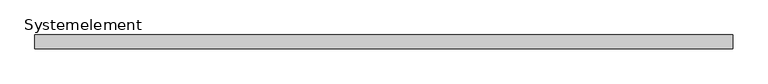
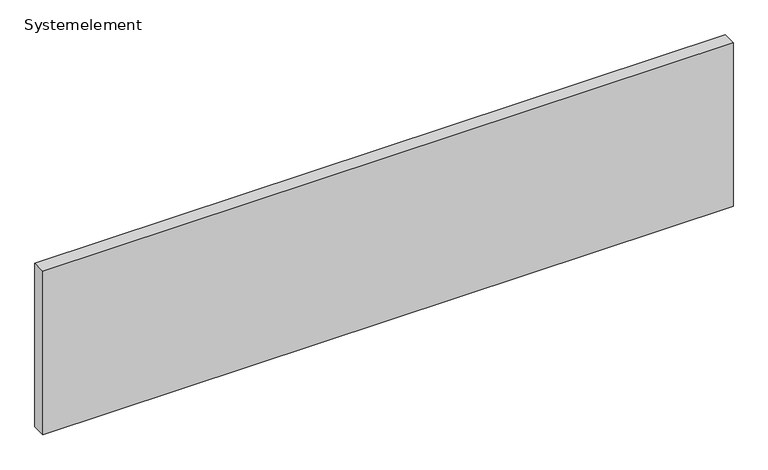
"""IFC4 building model written with IfcOpenShell, lengths in millimetres: plate geometry, Systemelement."""

import ifcopenshell
import ifcopenshell.guid

model = None  # the IFC model being written
_history = None  # IfcOwnerHistory: only IFC2X3 demands one
_inside = {}  # id of a spatial element -> (the spatial element, [elements in it])
_under = {}  # id of a project, library or spatial element -> (it, [spatial elements below it])
_declared = {}  # id of a project -> (the project, [libraries it declares])
_typed = {}  # id of a type object -> (the type object, [elements of that type])
_made_of = {}  # id of a material, layer set ... -> (it, [elements and type objects made of it])


def new_model(schema):
    """Start an empty IFC model of exactly this schema.

    Asked for "IFC4X3", IfcOpenShell would pick the latest addendum, in which some entities
    have other attributes; the version numbers below select the first issue.
    IFC2X3 requires an IfcOwnerHistory on every rooted entity: one is made here for all.
    """
    global model, _history
    if schema == "IFC4X3":
        model = ifcopenshell.file(schema_version=(4, 3, 0, 0))
    else:
        model = ifcopenshell.file(schema=schema)
    _inside.clear()
    _under.clear()
    _declared.clear()
    _typed.clear()
    _made_of.clear()
    _history = None
    if model.schema == "IFC2X3":
        org = make("IfcOrganization", Name="unknown")
        user = make(
            "IfcPersonAndOrganization",
            ThePerson=make("IfcPerson", FamilyName="unknown"),
            TheOrganization=org,
        )
        app = make(
            "IfcApplication",
            ApplicationDeveloper=org,
            Version="unknown",
            ApplicationFullName="unknown",
            ApplicationIdentifier="unknown",
        )
        _history = make(
            "IfcOwnerHistory",
            OwningUser=user,
            OwningApplication=app,
            ChangeAction="ADDED",
            CreationDate=0,
        )
    return model


def make(cls, **values):
    """One entity of the class cls with the attributes given. An attribute that is None is left unset."""
    return model.create_entity(
        cls, **{name: value for name, value in values.items() if value is not None}
    )


def rooted(cls, **values):
    """An entity with a GlobalId (a new one), such as an element, a storey or a relation."""
    return make(cls, GlobalId=ifcopenshell.guid.new(), OwnerHistory=_history, **values)


def si_unit(unit_type, name, prefix=None):
    """IfcSIUnit, for example si_unit("LENGTHUNIT", "METRE", prefix="MILLI")."""
    return make("IfcSIUnit", UnitType=unit_type, Prefix=prefix, Name=name)


def assignment(units):
    """IfcUnitAssignment: the units of a project."""
    return None if units is None else make("IfcUnitAssignment", Units=units)


def point(xyz):
    """IfcCartesianPoint."""
    return None if xyz is None else make("IfcCartesianPoint", Coordinates=xyz)


def direction(xyz):
    """IfcDirection."""
    return None if xyz is None else make("IfcDirection", DirectionRatios=xyz)


def frame(location, z_axis=None, x_axis=None):
    """IfcAxis2Placement3D, a coordinate frame: its origin and axes. An axis left out is left unset."""
    return make(
        "IfcAxis2Placement3D",
        Location=point(location),
        Axis=direction(z_axis),
        RefDirection=direction(x_axis),
    )


def origin():
    """The frame at (0, 0, 0) with its axes left unset."""
    return frame((0.0, 0.0, 0.0))


def origin_with_axes():
    """The frame at (0, 0, 0) with the z axis (0, 0, 1) and the x axis (1, 0, 0) written out."""
    return frame((0.0, 0.0, 0.0), z_axis=(0.0, 0.0, 1.0), x_axis=(1.0, 0.0, 0.0))


def place(relative_to, where):
    """IfcLocalPlacement: puts the frame where relative to a parent placement (None: the world)."""
    return make(
        "IfcLocalPlacement", PlacementRelTo=relative_to, RelativePlacement=where
    )


def context(
    kind, dimensions, precision=None, world=None, true_north=None, identifier=None
):
    """IfcGeometricRepresentationContext, for example the 3D "Model" context."""
    return make(
        "IfcGeometricRepresentationContext",
        ContextIdentifier=identifier,
        ContextType=kind,
        CoordinateSpaceDimension=dimensions,
        Precision=precision,
        WorldCoordinateSystem=world,
        TrueNorth=true_north,
    )


def project(units=None, contexts=None):
    """IfcProject with its units and contexts."""
    return rooted(
        "IfcProject",
        Name="project",
        RepresentationContexts=contexts,
        UnitsInContext=assignment(units),
    )


def spatial(cls, under=None, at=None, **own):
    """A site, building, storey or space (cls), placed at a placement, below another one or the project."""
    s = rooted(cls, ObjectPlacement=at, **own)
    if under is not None:
        _under.setdefault(under.id(), (under, []))[1].append(s)
    return s


def polyline(points):
    """IfcPolyline through the points."""
    return make("IfcPolyline", Points=[point(p) for p in points])


def outline(outer, holes=None, kind="AREA"):
    """IfcArbitraryClosedProfileDef: a profile drawn as a closed curve; with holes, ...WithVoids."""
    if holes is None:
        return make("IfcArbitraryClosedProfileDef", ProfileType=kind, OuterCurve=outer)
    return make(
        "IfcArbitraryProfileDefWithVoids",
        ProfileType=kind,
        OuterCurve=outer,
        InnerCurves=holes,
    )


def extrude(swept, where, along, depth):
    """IfcExtrudedAreaSolid: the profile swept, set in the frame where, extruded along a direction by depth."""
    return make(
        "IfcExtrudedAreaSolid",
        SweptArea=swept,
        Position=where,
        ExtrudedDirection=direction(along),
        Depth=depth,
    )


def shape(context_of_items, identifier, shape_type, items):
    """IfcShapeRepresentation: the items that make up one representation, for example the "Body"."""
    return make(
        "IfcShapeRepresentation",
        ContextOfItems=context_of_items,
        RepresentationIdentifier=identifier,
        RepresentationType=shape_type,
        Items=items,
    )


def source(mapping_origin, context_of_items, identifier, shape_type, items):
    """IfcRepresentationMap: a shape defined once, which mapped items show again and again."""
    return make(
        "IfcRepresentationMap",
        MappingOrigin=mapping_origin,
        MappedRepresentation=shape(context_of_items, identifier, shape_type, items),
    )


def transform(
    local_origin,
    x_axis=None,
    y_axis=None,
    z_axis=None,
    scale=None,
    scale2=None,
    scale3=None,
    uniform=True,
):
    """IfcCartesianTransformationOperator3D, or its non-uniform kind. x_axis, y_axis, z_axis: its Axis1, 2, 3."""
    if uniform:
        return make(
            "IfcCartesianTransformationOperator3D",
            Axis1=direction(x_axis),
            Axis2=direction(y_axis),
            LocalOrigin=point(local_origin),
            Scale=scale,
            Axis3=direction(z_axis),
        )
    return make(
        "IfcCartesianTransformationOperator3DnonUniform",
        Axis1=direction(x_axis),
        Axis2=direction(y_axis),
        LocalOrigin=point(local_origin),
        Scale=scale,
        Axis3=direction(z_axis),
        Scale2=scale2,
        Scale3=scale3,
    )


def mapped(mapping_source, mapping_target):
    """IfcMappedItem: shows the shape of a source again, moved by a transform."""
    return make(
        "IfcMappedItem", MappingSource=mapping_source, MappingTarget=mapping_target
    )


def made_of(thing, what):
    """Note that an element or type object is made of a material, layer set ...; save() writes the relation."""
    if what is not None:
        _made_of.setdefault(what.id(), (what, []))[1].append(thing)
    return thing


def element(
    cls,
    number,
    at=None,
    inside=None,
    cuts=None,
    type_object=None,
    material=None,
    context=None,
    identifier="Body",
    shape_type=None,
    held_by="IfcProductDefinitionShape",
    body=None,
    shapes=None,
    **own,
):
    """One element of the class cls, such as IfcWall. Its Tag is "e" and its number.

    at: its placement. inside: the storey or other place that contains it. cuts: it is an
    opening in that element (IfcRelVoidsElement). A single representation is given by context,
    identifier, shape_type and body (its items); several are given by shapes. held_by: the class
    of the entity that holds the representations. save() writes the other relations.
    """
    e = rooted(cls, Tag="e%d" % number, ObjectPlacement=at, **own)
    if body is not None:
        shapes = [shape(context, identifier, shape_type, body)]
    if shapes is not None:
        e.Representation = make(held_by, Representations=shapes)
    if inside is not None:
        _inside.setdefault(inside.id(), (inside, []))[1].append(e)
    if cuts is not None:
        rooted(
            "IfcRelVoidsElement", RelatingBuildingElement=cuts, RelatedOpeningElement=e
        )
    if type_object is not None:
        _typed.setdefault(type_object.id(), (type_object, []))[1].append(e)
    return made_of(e, material)


def aggregate(whole, parts):
    """IfcRelAggregates: a whole, such as a stair, and the parts it consists of."""
    return rooted("IfcRelAggregates", RelatingObject=whole, RelatedObjects=parts)


def save(model, path):
    """Write the relations noted so far, then the file.

    IfcRelAggregates (storeys below a building ...), IfcRelContainedInSpatialStructure (elements
    in a storey), IfcRelDefinesByType, IfcRelAssociatesMaterial and IfcRelDeclares: one each for
    every whole, place, type object, material and project.
    """
    for whole, parts in _under.values():
        aggregate(whole, parts)
    for where, things in _inside.values():
        rooted(
            "IfcRelContainedInSpatialStructure",
            RelatedElements=things,
            RelatingStructure=where,
        )
    for kind, things in _typed.values():
        rooted("IfcRelDefinesByType", RelatedObjects=things, RelatingType=kind)
    for what, things in _made_of.values():
        rooted("IfcRelAssociatesMaterial", RelatedObjects=things, RelatingMaterial=what)
    for by, libraries in _declared.values():
        rooted("IfcRelDeclares", RelatingContext=by, RelatedDefinitions=libraries)
    model.write(path)


def systemelement_1003efa3(model_context):
    return source(origin(), model_context, "Body", "SweptSolid", [
        extrude(outline(polyline([(2000.0, -80.0), (-2000.0, -80.0), (-2000.0, 0.0), (2000.0, 0.0), (2000.0, -80.0)])), origin_with_axes(), (0.0, 0.0, 1.0), 1000.0),
    ])


if __name__ == "__main__":
    model = new_model("IFC4")
    model_context = context("Model", 3, world=origin())
    ifc_project = project(units=[si_unit("LENGTHUNIT", "METRE", prefix="MILLI")], contexts=[model_context])
    site = spatial("IfcSite", under=ifc_project)
    building = spatial("IfcBuilding", under=site)
    placement = place(None, origin())
    systemelement_shape = systemelement_1003efa3(model_context)
    element("IfcPlate", 1, ObjectType="Systemelement", at=placement, inside=building, context=model_context, shape_type="MappedRepresentation", body=[
        mapped(systemelement_shape, transform((0.0, 0.0, 0.0), x_axis=(1.0, 0.0, 0.0), y_axis=(0.0, 1.0, 0.0), z_axis=(0.0, 0.0, 1.0))),
    ])
    save(model, "model.ifc")
